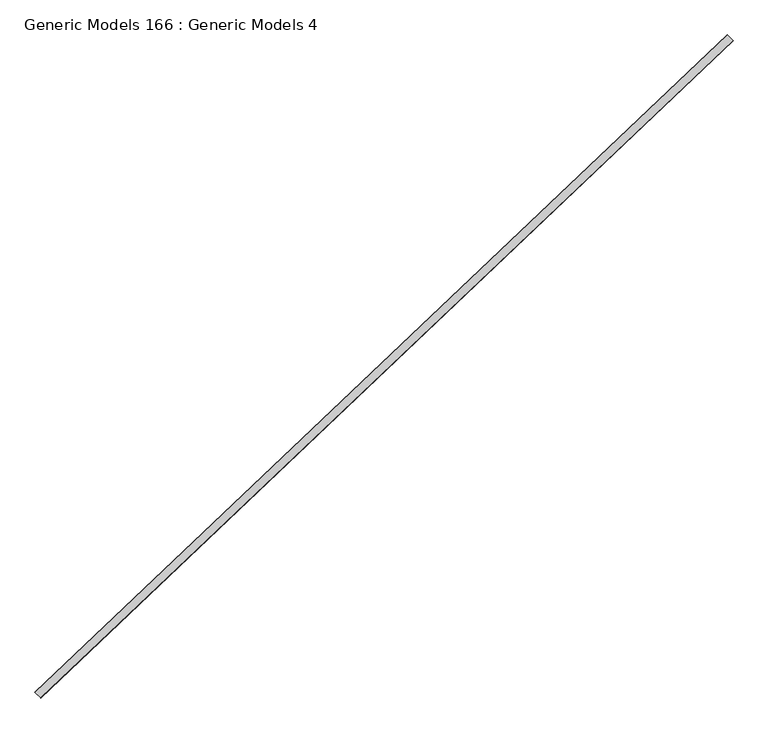
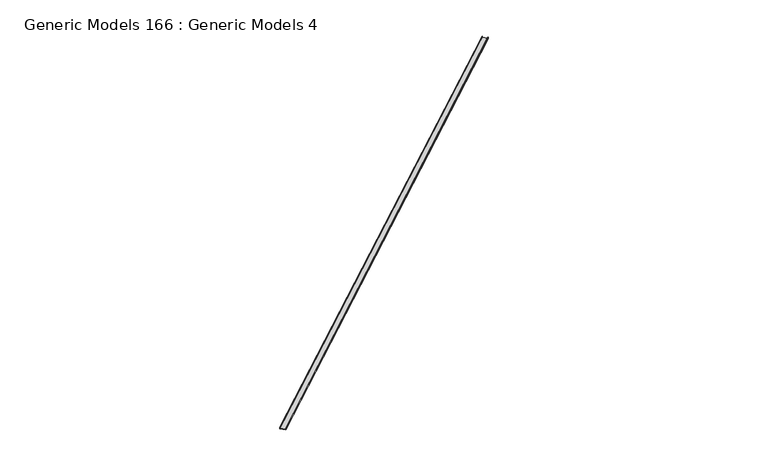
"""IFC4 building model written with IfcOpenShell, lengths in millimetres: proxy geometry, Generic Models 166 : Generic Models 4."""

from ifc_helpers import new_model, si_unit, frame, origin, place, context, project, spatial, polyline, outline, extrude, source, transform, mapped, element, save


def generic_models_166_generic_models_4_981662a5(model_context):
    return source(origin(), model_context, "Body", "SweptSolid", [
        extrude(outline(polyline([(0.0, 0.0), (41.275, 0.0), (41.275, -1.5875), (1.5875, -1.5875), (1.5875, -150.8125), (41.275, -150.8125), (41.275, -152.4000001), (0.0, -152.4000001), (0.0, 0.0)])), frame((95617.8247636, 48987.7326482, 16718.28), z_axis=(0.725374371012385, 0.6883545756936514, 0.0), x_axis=(0.0, 0.0, 1.0)), (0.0, 0.0, 1.0), 17560.925),
    ])


if __name__ == "__main__":
    model = new_model("IFC4")
    model_context = context("Model", 3, world=origin())
    ifc_project = project(units=[si_unit("LENGTHUNIT", "METRE", prefix="MILLI")], contexts=[model_context])
    site = spatial("IfcSite", under=ifc_project)
    building = spatial("IfcBuilding", under=site)
    placement = place(None, origin())
    generic_models_166_generic_models_4_shape = generic_models_166_generic_models_4_981662a5(model_context)
    element("IfcBuildingElementProxy", 1, Name="Generic Models 166 : Generic Models 4", ObjectType="Generic Models 166 : Generic Models 4", at=placement, inside=building, context=model_context, shape_type="MappedRepresentation", body=[
        mapped(generic_models_166_generic_models_4_shape, transform((0.0, 0.0, 0.0), x_axis=(1.0, 0.0, 0.0), y_axis=(0.0, 1.0, 0.0), z_axis=(0.0, 0.0, 1.0))),
    ])
    save(model, "model.ifc")
